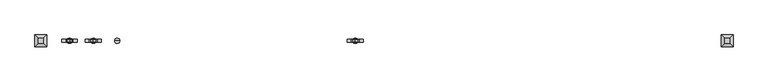
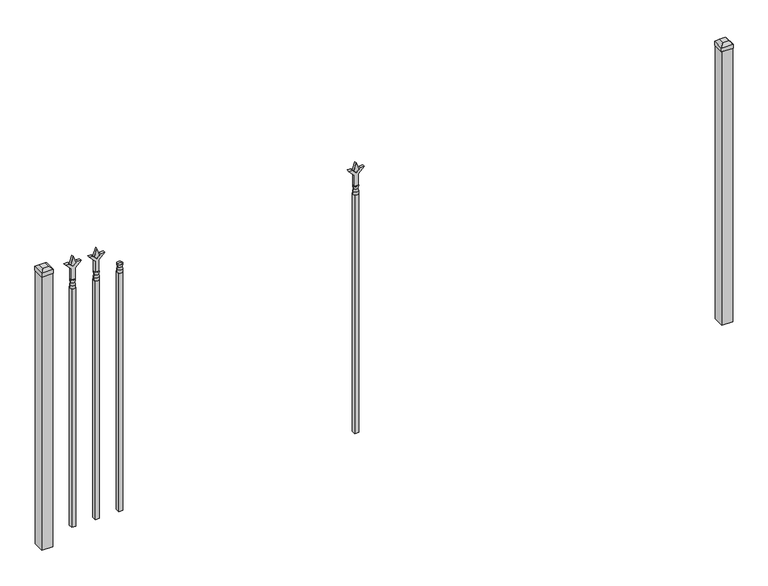
"""IFC4 building model written with IfcOpenShell, lengths in millimetres: railing geometry."""

from ifc_helpers import new_model, si_unit, frame, origin, origin_with_axes, place, context, project, spatial, polyline, circle_curve, outline, extrude, faceted_brep, source, transform, mapped, element, save
from ifc_brep_helpers import plane_surface, cylinder_surface, revolved_surface, advanced_brep


def railing_dfec883d(model_context):
    return source(origin(), model_context, "Body", "SolidModel", [
        advanced_brep(
        [(-73175.1035036, -9169.6570174, 1231.9), (-73198.9160036, -9169.6570174, 1231.9), (-73198.9160036, -9169.6570174, 1219.2), (-73175.1035036, -9169.6570174, 1219.2), (-73177.3088355, -9169.6570174, 1244.4070585), (-73196.7106718, -9169.6570174, 1244.4070585), (-73175.1035036, -9169.6570174, 1260.475), (-73198.9160036, -9169.6570174, 1260.475), (-73187.0097536, -9169.6570174, 1260.475), (-73187.0097536, -9169.6570174, 1219.2)],
        [
            (0, 1, circle_curve(frame((-73187.0097536, -9169.6570174, 1231.9), z_axis=(0.0, 0.0, -1.0), x_axis=(-1.0, 0.0, 0.0)), 11.90625)),
            (1, 2),
            (2, 3, circle_curve(frame((-73187.0097536, -9169.6570174, 1219.2), z_axis=(0.0, 0.0, 1.0), x_axis=(-1.0, 0.0, 0.0)), 11.90625)),
            (3, 0),
            (1, 0, circle_curve(frame((-73187.0097536, -9169.6570174, 1231.9), z_axis=(0.0, 0.0, -1.0), x_axis=(-1.0, 0.0, 0.0)), 11.90625)),
            (3, 2, circle_curve(frame((-73187.0097536, -9169.6570174, 1219.2), z_axis=(0.0, 0.0, 1.0), x_axis=(-1.0, 0.0, 0.0)), 11.90625)),
            (4, 5, circle_curve(frame((-73187.0097536, -9169.6570174, 1244.4070585), z_axis=(0.0, 0.0, -1.0), x_axis=(-1.0, 0.0, 0.0)), 9.7009181)),
            (5, 1),
            (0, 4),
            (5, 4, circle_curve(frame((-73187.0097536, -9169.6570174, 1244.4070585), z_axis=(0.0, 0.0, -1.0), x_axis=(-1.0, 0.0, 0.0)), 9.7009181)),
            (6, 7, circle_curve(frame((-73187.0097536, -9169.6570174, 1260.475), z_axis=(0.0, 0.0, -1.0), x_axis=(-1.0, 0.0, 0.0)), 11.90625)),
            (7, 5),
            (4, 6),
            (7, 6, circle_curve(frame((-73187.0097536, -9169.6570174, 1260.475), z_axis=(0.0, 0.0, -1.0), x_axis=(-1.0, 0.0, 0.0)), 11.90625)),
            (8, 7),
            (6, 8),
            (2, 9),
            (9, 3),
        ],
        [
            cylinder_surface(frame((-73187.0097536, -9169.6570174, 1219.2), z_axis=(0.0, 0.0, 1.0), x_axis=(-1.0, 0.0, 0.0)), 11.90625),
            revolved_surface(polyline([(-73198.9160036, -9169.6570174, 1231.9), (-73196.7106718, -9169.6570174, 1244.4070585)]), (-73187.0097536, -9169.6570174, 1219.2), (0.0, 0.0, 1.0)),
            revolved_surface(polyline([(-73196.7106718, -9169.6570174, 1244.4070585), (-73198.9160036, -9169.6570174, 1260.475)]), (-73187.0097536, -9169.6570174, 1219.2), (0.0, 0.0, 1.0)),
            plane_surface(frame((-73187.0097536, -9169.6570174, 1260.475), z_axis=(0.0, 0.0, 1.0), x_axis=(-1.0, 0.0, 0.0))),
            plane_surface(frame((-73187.0097536, -9169.6570174, 1219.2), z_axis=(0.0, 0.0, -1.0), x_axis=(-1.0, 0.0, 0.0))),
        ],
        [
            (0, [[1, 2, 3, 4]]),
            (0, [[5, -4, 6, -2]]),
            (1, [[7, 8, -1, 9]]),
            (1, [[10, -9, -5, -8]]),
            (2, [[11, 12, -7, 13]]),
            (2, [[14, -13, -10, -12]]),
            (3, [[15, -11, 16]]),
            (3, [[-16, -14, -15]]),
            (4, [[-3, 17, 18]]),
            (4, [[-6, -18, -17]]),
        ],
    ),
        extrude(outline(polyline([(-73196.5347536, -9160.1320174), (-73177.4847536, -9160.1320174), (-73177.4847536, -9179.1820174), (-73196.5347536, -9179.1820174), (-73196.5347536, -9160.1320174)])), frame((0.0, 0.0, 50.8), z_axis=(0.0, 0.0, 1.0), x_axis=(1.0, 0.0, 0.0)), (0.0, 0.0, 1.0), 1168.4),
        extrude(outline(polyline([(1335.88125, -73284.3764203), (1371.6, -73296.2826703), (1335.88125, -73308.1889203), (1323.975, -73296.2826703), (1335.88125, -73284.3764203)])), frame((0.0, -9174.4195174, 0.0), z_axis=(0.0, 1.0, 0.0), x_axis=(0.0, 0.0, 1.0)), (0.0, 0.0, 1.0), 9.525),
        extrude(outline(polyline([(1260.475, -73287.5514203), (1314.7457378, -73287.5514203), (1341.9355122, -73260.3616458), (1341.9355122, -73278.3221581), (1323.975, -73296.2826703), (1341.9355122, -73314.2431825), (1341.9355122, -73332.2036948), (1314.7457378, -73305.0139203), (1260.475, -73305.0139203), (1260.475, -73287.5514203)])), frame((0.0, -9176.0070174, 0.0), z_axis=(0.0, 1.0, 0.0), x_axis=(0.0, 0.0, 1.0)), (0.0, 0.0, 1.0), 12.7),
        advanced_brep(
        [(-73284.3764203, -9169.6570174, 1231.9), (-73308.1889203, -9169.6570174, 1231.9), (-73308.1889203, -9169.6570174, 1219.2), (-73284.3764203, -9169.6570174, 1219.2), (-73286.5817522, -9169.6570174, 1244.4070585), (-73305.9835884, -9169.6570174, 1244.4070585), (-73284.3764203, -9169.6570174, 1260.475), (-73308.1889203, -9169.6570174, 1260.475), (-73296.2826703, -9169.6570174, 1260.475), (-73296.2826703, -9169.6570174, 1219.2)],
        [
            (0, 1, circle_curve(frame((-73296.2826703, -9169.6570174, 1231.9), z_axis=(0.0, 0.0, -1.0), x_axis=(-1.0, 0.0, 0.0)), 11.90625)),
            (1, 2),
            (2, 3, circle_curve(frame((-73296.2826703, -9169.6570174, 1219.2), z_axis=(0.0, 0.0, 1.0), x_axis=(-1.0, 0.0, 0.0)), 11.90625)),
            (3, 0),
            (1, 0, circle_curve(frame((-73296.2826703, -9169.6570174, 1231.9), z_axis=(0.0, 0.0, -1.0), x_axis=(-1.0, 0.0, 0.0)), 11.90625)),
            (3, 2, circle_curve(frame((-73296.2826703, -9169.6570174, 1219.2), z_axis=(0.0, 0.0, 1.0), x_axis=(-1.0, 0.0, 0.0)), 11.90625)),
            (4, 5, circle_curve(frame((-73296.2826703, -9169.6570174, 1244.4070585), z_axis=(0.0, 0.0, -1.0), x_axis=(-1.0, 0.0, 0.0)), 9.7009181)),
            (5, 1),
            (0, 4),
            (5, 4, circle_curve(frame((-73296.2826703, -9169.6570174, 1244.4070585), z_axis=(0.0, 0.0, -1.0), x_axis=(-1.0, 0.0, 0.0)), 9.7009181)),
            (6, 7, circle_curve(frame((-73296.2826703, -9169.6570174, 1260.475), z_axis=(0.0, 0.0, -1.0), x_axis=(-1.0, 0.0, 0.0)), 11.90625)),
            (7, 5),
            (4, 6),
            (7, 6, circle_curve(frame((-73296.2826703, -9169.6570174, 1260.475), z_axis=(0.0, 0.0, -1.0), x_axis=(-1.0, 0.0, 0.0)), 11.90625)),
            (8, 7),
            (6, 8),
            (2, 9),
            (9, 3),
        ],
        [
            cylinder_surface(frame((-73296.2826703, -9169.6570174, 1219.2), z_axis=(0.0, 0.0, 1.0), x_axis=(-1.0, 0.0, 0.0)), 11.90625),
            revolved_surface(polyline([(-73308.1889203, -9169.6570174, 1231.9), (-73305.9835884, -9169.6570174, 1244.4070585)]), (-73296.2826703, -9169.6570174, 1219.2), (0.0, 0.0, 1.0)),
            revolved_surface(polyline([(-73305.9835884, -9169.6570174, 1244.4070585), (-73308.1889203, -9169.6570174, 1260.475)]), (-73296.2826703, -9169.6570174, 1219.2), (0.0, 0.0, 1.0)),
            plane_surface(frame((-73296.2826703, -9169.6570174, 1260.475), z_axis=(0.0, 0.0, 1.0), x_axis=(-1.0, 0.0, 0.0))),
            plane_surface(frame((-73296.2826703, -9169.6570174, 1219.2), z_axis=(0.0, 0.0, -1.0), x_axis=(-1.0, 0.0, 0.0))),
        ],
        [
            (0, [[1, 2, 3, 4]]),
            (0, [[5, -4, 6, -2]]),
            (1, [[7, 8, -1, 9]]),
            (1, [[10, -9, -5, -8]]),
            (2, [[11, 12, -7, 13]]),
            (2, [[14, -13, -10, -12]]),
            (3, [[15, -11, 16]]),
            (3, [[-16, -14, -15]]),
            (4, [[-3, 17, 18]]),
            (4, [[-6, -18, -17]]),
        ],
    ),
        extrude(outline(polyline([(-73305.8076703, -9160.1320174), (-73286.7576703, -9160.1320174), (-73286.7576703, -9179.1820174), (-73305.8076703, -9179.1820174), (-73305.8076703, -9160.1320174)])), frame((0.0, 0.0, 50.8), z_axis=(0.0, 0.0, 1.0), x_axis=(1.0, 0.0, 0.0)), (0.0, 0.0, 1.0), 1168.4),
        extrude(outline(polyline([(1335.88125, -72082.374337), (1371.6, -72094.280587), (1335.88125, -72106.186837), (1323.975, -72094.280587), (1335.88125, -72082.374337)])), frame((0.0, -9174.4195174, 0.0), z_axis=(0.0, 1.0, 0.0), x_axis=(0.0, 0.0, 1.0)), (0.0, 0.0, 1.0), 9.525),
        extrude(outline(polyline([(1260.475, -72085.549337), (1314.7457378, -72085.549337), (1341.9355122, -72058.3595625), (1341.9355122, -72076.3200747), (1323.975, -72094.280587), (1341.9355122, -72112.2410992), (1341.9355122, -72130.2016114), (1314.7457378, -72103.011837), (1260.475, -72103.011837), (1260.475, -72085.549337)])), frame((0.0, -9176.0070174, 0.0), z_axis=(0.0, 1.0, 0.0), x_axis=(0.0, 0.0, 1.0)), (0.0, 0.0, 1.0), 12.7),
        advanced_brep(
        [(-72082.374337, -9169.6570174, 1231.9), (-72106.186837, -9169.6570174, 1231.9), (-72106.186837, -9169.6570174, 1219.2), (-72082.374337, -9169.6570174, 1219.2), (-72084.5796688, -9169.6570174, 1244.4070585), (-72103.9815051, -9169.6570174, 1244.4070585), (-72082.374337, -9169.6570174, 1260.475), (-72106.186837, -9169.6570174, 1260.475), (-72094.280587, -9169.6570174, 1260.475), (-72094.280587, -9169.6570174, 1219.2)],
        [
            (0, 1, circle_curve(frame((-72094.280587, -9169.6570174, 1231.9), z_axis=(0.0, 0.0, -1.0), x_axis=(-1.0, 0.0, 0.0)), 11.90625)),
            (1, 2),
            (2, 3, circle_curve(frame((-72094.280587, -9169.6570174, 1219.2), z_axis=(0.0, 0.0, 1.0), x_axis=(-1.0, 0.0, 0.0)), 11.90625)),
            (3, 0),
            (1, 0, circle_curve(frame((-72094.280587, -9169.6570174, 1231.9), z_axis=(0.0, 0.0, -1.0), x_axis=(-1.0, 0.0, 0.0)), 11.90625)),
            (3, 2, circle_curve(frame((-72094.280587, -9169.6570174, 1219.2), z_axis=(0.0, 0.0, 1.0), x_axis=(-1.0, 0.0, 0.0)), 11.90625)),
            (4, 5, circle_curve(frame((-72094.280587, -9169.6570174, 1244.4070585), z_axis=(0.0, 0.0, -1.0), x_axis=(-1.0, 0.0, 0.0)), 9.7009181)),
            (5, 1),
            (0, 4),
            (5, 4, circle_curve(frame((-72094.280587, -9169.6570174, 1244.4070585), z_axis=(0.0, 0.0, -1.0), x_axis=(-1.0, 0.0, 0.0)), 9.7009181)),
            (6, 7, circle_curve(frame((-72094.280587, -9169.6570174, 1260.475), z_axis=(0.0, 0.0, -1.0), x_axis=(-1.0, 0.0, 0.0)), 11.90625)),
            (7, 5),
            (4, 6),
            (7, 6, circle_curve(frame((-72094.280587, -9169.6570174, 1260.475), z_axis=(0.0, 0.0, -1.0), x_axis=(-1.0, 0.0, 0.0)), 11.90625)),
            (8, 7),
            (6, 8),
            (2, 9),
            (9, 3),
        ],
        [
            cylinder_surface(frame((-72094.280587, -9169.6570174, 1219.2), z_axis=(0.0, 0.0, 1.0), x_axis=(-1.0, 0.0, 0.0)), 11.90625),
            revolved_surface(polyline([(-72106.186837, -9169.6570174, 1231.9), (-72103.9815051, -9169.6570174, 1244.4070585)]), (-72094.280587, -9169.6570174, 1219.2), (0.0, 0.0, 1.0)),
            revolved_surface(polyline([(-72103.9815051, -9169.6570174, 1244.4070585), (-72106.186837, -9169.6570174, 1260.475)]), (-72094.280587, -9169.6570174, 1219.2), (0.0, 0.0, 1.0)),
            plane_surface(frame((-72094.280587, -9169.6570174, 1260.475), z_axis=(0.0, 0.0, 1.0), x_axis=(-1.0, 0.0, 0.0))),
            plane_surface(frame((-72094.280587, -9169.6570174, 1219.2), z_axis=(0.0, 0.0, -1.0), x_axis=(-1.0, 0.0, 0.0))),
        ],
        [
            (0, [[1, 2, 3, 4]]),
            (0, [[5, -4, 6, -2]]),
            (1, [[7, 8, -1, 9]]),
            (1, [[10, -9, -5, -8]]),
            (2, [[11, 12, -7, 13]]),
            (2, [[14, -13, -10, -12]]),
            (3, [[15, -11, 16]]),
            (3, [[-16, -14, -15]]),
            (4, [[-3, 17, 18]]),
            (4, [[-6, -18, -17]]),
        ],
    ),
        extrude(outline(polyline([(-72103.805587, -9160.1320174), (-72084.755587, -9160.1320174), (-72084.755587, -9179.1820174), (-72103.805587, -9179.1820174), (-72103.805587, -9160.1320174)])), frame((0.0, 0.0, 50.8), z_axis=(0.0, 0.0, 1.0), x_axis=(1.0, 0.0, 0.0)), (0.0, 0.0, 1.0), 1168.4),
        extrude(outline(polyline([(1335.88125, -73393.649337), (1371.6, -73405.555587), (1335.88125, -73417.461837), (1323.975, -73405.555587), (1335.88125, -73393.649337)])), frame((0.0, -9174.4195174, 0.0), z_axis=(0.0, 1.0, 0.0), x_axis=(0.0, 0.0, 1.0)), (0.0, 0.0, 1.0), 9.525),
        extrude(outline(polyline([(1260.475, -73396.824337), (1314.7457378, -73396.824337), (1341.9355122, -73369.6345625), (1341.9355122, -73387.5950747), (1323.975, -73405.555587), (1341.9355122, -73423.5160992), (1341.9355122, -73441.4766114), (1314.7457378, -73414.286837), (1260.475, -73414.286837), (1260.475, -73396.824337)])), frame((0.0, -9176.0070174, 0.0), z_axis=(0.0, 1.0, 0.0), x_axis=(0.0, 0.0, 1.0)), (0.0, 0.0, 1.0), 12.7),
        advanced_brep(
        [(-73393.649337, -9169.6570174, 1231.9), (-73417.461837, -9169.6570174, 1231.9), (-73417.461837, -9169.6570174, 1219.2), (-73393.649337, -9169.6570174, 1219.2), (-73395.8546688, -9169.6570174, 1244.4070585), (-73415.2565051, -9169.6570174, 1244.4070585), (-73393.649337, -9169.6570174, 1260.475), (-73417.461837, -9169.6570174, 1260.475), (-73405.555587, -9169.6570174, 1260.475), (-73405.555587, -9169.6570174, 1219.2)],
        [
            (0, 1, circle_curve(frame((-73405.555587, -9169.6570174, 1231.9), z_axis=(0.0, 0.0, -1.0), x_axis=(-1.0, 0.0, 0.0)), 11.90625)),
            (1, 2),
            (2, 3, circle_curve(frame((-73405.555587, -9169.6570174, 1219.2), z_axis=(0.0, 0.0, 1.0), x_axis=(-1.0, 0.0, 0.0)), 11.90625)),
            (3, 0),
            (1, 0, circle_curve(frame((-73405.555587, -9169.6570174, 1231.9), z_axis=(0.0, 0.0, -1.0), x_axis=(-1.0, 0.0, 0.0)), 11.90625)),
            (3, 2, circle_curve(frame((-73405.555587, -9169.6570174, 1219.2), z_axis=(0.0, 0.0, 1.0), x_axis=(-1.0, 0.0, 0.0)), 11.90625)),
            (4, 5, circle_curve(frame((-73405.555587, -9169.6570174, 1244.4070585), z_axis=(0.0, 0.0, -1.0), x_axis=(-1.0, 0.0, 0.0)), 9.7009181)),
            (5, 1),
            (0, 4),
            (5, 4, circle_curve(frame((-73405.555587, -9169.6570174, 1244.4070585), z_axis=(0.0, 0.0, -1.0), x_axis=(-1.0, 0.0, 0.0)), 9.7009181)),
            (6, 7, circle_curve(frame((-73405.555587, -9169.6570174, 1260.475), z_axis=(0.0, 0.0, -1.0), x_axis=(-1.0, 0.0, 0.0)), 11.90625)),
            (7, 5),
            (4, 6),
            (7, 6, circle_curve(frame((-73405.555587, -9169.6570174, 1260.475), z_axis=(0.0, 0.0, -1.0), x_axis=(-1.0, 0.0, 0.0)), 11.90625)),
            (8, 7),
            (6, 8),
            (2, 9),
            (9, 3),
        ],
        [
            cylinder_surface(frame((-73405.555587, -9169.6570174, 1219.2), z_axis=(0.0, 0.0, 1.0), x_axis=(-1.0, 0.0, 0.0)), 11.90625),
            revolved_surface(polyline([(-73417.461837, -9169.6570174, 1231.9), (-73415.2565051, -9169.6570174, 1244.4070585)]), (-73405.555587, -9169.6570174, 1219.2), (0.0, 0.0, 1.0)),
            revolved_surface(polyline([(-73415.2565051, -9169.6570174, 1244.4070585), (-73417.461837, -9169.6570174, 1260.475)]), (-73405.555587, -9169.6570174, 1219.2), (0.0, 0.0, 1.0)),
            plane_surface(frame((-73405.555587, -9169.6570174, 1260.475), z_axis=(0.0, 0.0, 1.0), x_axis=(-1.0, 0.0, 0.0))),
            plane_surface(frame((-73405.555587, -9169.6570174, 1219.2), z_axis=(0.0, 0.0, -1.0), x_axis=(-1.0, 0.0, 0.0))),
        ],
        [
            (0, [[1, 2, 3, 4]]),
            (0, [[5, -4, 6, -2]]),
            (1, [[7, 8, -1, 9]]),
            (1, [[10, -9, -5, -8]]),
            (2, [[11, 12, -7, 13]]),
            (2, [[14, -13, -10, -12]]),
            (3, [[15, -11, 16]]),
            (3, [[-16, -14, -15]]),
            (4, [[-3, 17, 18]]),
            (4, [[-6, -18, -17]]),
        ],
    ),
        extrude(outline(polyline([(-73415.080587, -9160.1320174), (-73396.030587, -9160.1320174), (-73396.030587, -9179.1820174), (-73415.080587, -9179.1820174), (-73415.080587, -9160.1320174)])), frame((0.0, 0.0, 50.8), z_axis=(0.0, 0.0, 1.0), x_axis=(1.0, 0.0, 0.0)), (0.0, 0.0, 1.0), 1168.4),
        extrude(outline(polyline([(-70362.318087, -9144.2570174), (-70362.318087, -9195.0570174), (-70413.118087, -9195.0570174), (-70413.118087, -9144.2570174), (-70362.318087, -9144.2570174)])), origin_with_axes(), (0.0, 0.0, 1.0), 1339.85),
        faceted_brep([(-70414.705587, -9142.6695174, 1358.9), (-70414.705587, -9142.6695174, 1339.85), (-70414.705587, -9196.6445174, 1339.85), (-70414.705587, -9196.6445174, 1358.9), (-70402.005587, -9155.3695174, 1371.6), (-70402.005587, -9183.9445174, 1371.6), (-70360.730587, -9196.6445174, 1339.85), (-70360.730587, -9196.6445174, 1358.9), (-70373.430587, -9183.9445174, 1371.6), (-70360.730587, -9142.6695174, 1339.85), (-70360.730587, -9142.6695174, 1358.9), (-70373.430587, -9155.3695174, 1371.6)], [[[0, 1, 2, 3]], [[4, 0, 3, 5]], [[3, 2, 6, 7]], [[5, 3, 7, 8]], [[7, 6, 9, 10]], [[8, 7, 10, 11]], [[10, 9, 1, 0]], [[11, 10, 0, 4]], [[5, 8, 11, 4]], [[1, 9, 6, 2]]]),
        extrude(outline(polyline([(-73511.918087, -9144.2570174), (-73511.918087, -9195.0570174), (-73562.718087, -9195.0570174), (-73562.718087, -9144.2570174), (-73511.918087, -9144.2570174)])), origin_with_axes(), (0.0, 0.0, 1.0), 1339.85),
        faceted_brep([(-73564.305587, -9142.6695174, 1358.9), (-73564.305587, -9142.6695174, 1339.85), (-73564.305587, -9196.6445174, 1339.85), (-73564.305587, -9196.6445174, 1358.9), (-73551.605587, -9155.3695174, 1371.6), (-73551.605587, -9183.9445174, 1371.6), (-73510.330587, -9196.6445174, 1339.85), (-73510.330587, -9196.6445174, 1358.9), (-73523.030587, -9183.9445174, 1371.6), (-73510.330587, -9142.6695174, 1339.85), (-73510.330587, -9142.6695174, 1358.9), (-73523.030587, -9155.3695174, 1371.6)], [[[0, 1, 2, 3]], [[4, 0, 3, 5]], [[3, 2, 6, 7]], [[5, 3, 7, 8]], [[7, 6, 9, 10]], [[8, 7, 10, 11]], [[10, 9, 1, 0]], [[11, 10, 0, 4]], [[5, 8, 11, 4]], [[1, 9, 6, 2]]]),
    ])


if __name__ == "__main__":
    model = new_model("IFC4")
    model_context = context("Model", 3, world=origin())
    ifc_project = project(units=[si_unit("LENGTHUNIT", "METRE", prefix="MILLI")], contexts=[model_context])
    site = spatial("IfcSite", under=ifc_project)
    building = spatial("IfcBuilding", under=site)
    placement = place(None, origin())
    railing_shape = railing_dfec883d(model_context)
    element("IfcRailing", 1, at=placement, inside=building, context=model_context, shape_type="MappedRepresentation", body=[
        mapped(railing_shape, transform((0.0, 0.0, 0.0), x_axis=(1.0, 0.0, 0.0), y_axis=(0.0, 1.0, 0.0), z_axis=(0.0, 0.0, 1.0))),
    ])
    save(model, "model.ifc")
